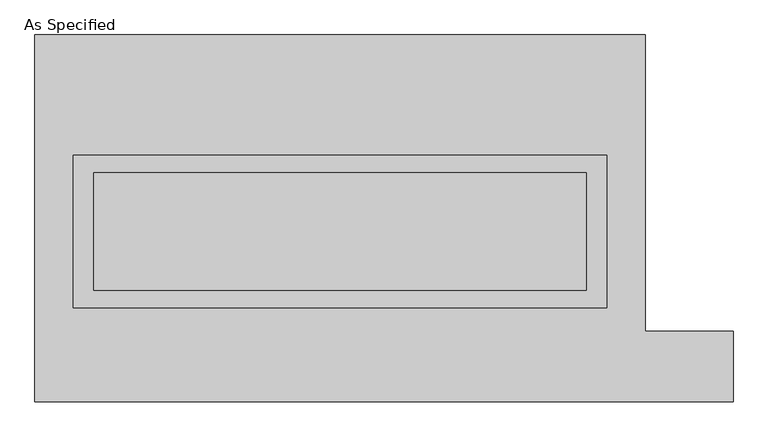
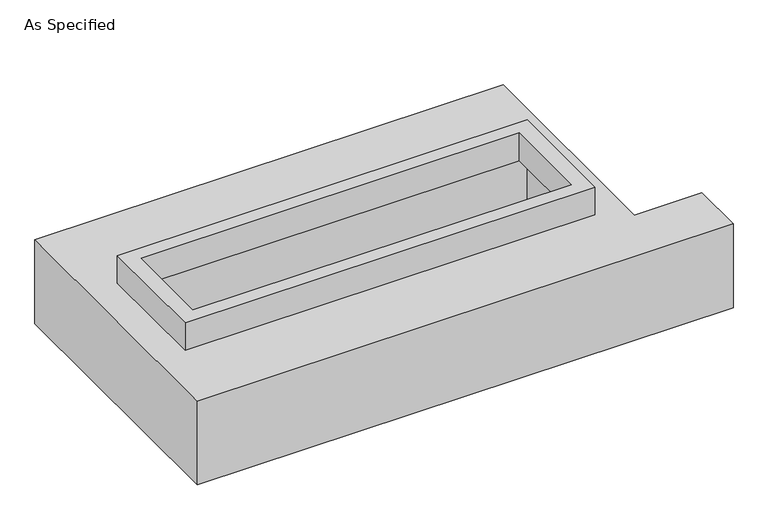
"""IFC4 building model written with IfcOpenShell, lengths in millimetres: proxy geometry, As Specified."""

import ifcopenshell
import ifcopenshell.guid

model = None  # the IFC model being written
_history = None  # IfcOwnerHistory: only IFC2X3 demands one
_inside = {}  # id of a spatial element -> (the spatial element, [elements in it])
_under = {}  # id of a project, library or spatial element -> (it, [spatial elements below it])
_declared = {}  # id of a project -> (the project, [libraries it declares])
_typed = {}  # id of a type object -> (the type object, [elements of that type])
_made_of = {}  # id of a material, layer set ... -> (it, [elements and type objects made of it])


def new_model(schema):
    """Start an empty IFC model of exactly this schema.

    Asked for "IFC4X3", IfcOpenShell would pick the latest addendum, in which some entities
    have other attributes; the version numbers below select the first issue.
    IFC2X3 requires an IfcOwnerHistory on every rooted entity: one is made here for all.
    """
    global model, _history
    if schema == "IFC4X3":
        model = ifcopenshell.file(schema_version=(4, 3, 0, 0))
    else:
        model = ifcopenshell.file(schema=schema)
    _inside.clear()
    _under.clear()
    _declared.clear()
    _typed.clear()
    _made_of.clear()
    _history = None
    if model.schema == "IFC2X3":
        org = make("IfcOrganization", Name="unknown")
        user = make(
            "IfcPersonAndOrganization",
            ThePerson=make("IfcPerson", FamilyName="unknown"),
            TheOrganization=org,
        )
        app = make(
            "IfcApplication",
            ApplicationDeveloper=org,
            Version="unknown",
            ApplicationFullName="unknown",
            ApplicationIdentifier="unknown",
        )
        _history = make(
            "IfcOwnerHistory",
            OwningUser=user,
            OwningApplication=app,
            ChangeAction="ADDED",
            CreationDate=0,
        )
    return model


def make(cls, **values):
    """One entity of the class cls with the attributes given. An attribute that is None is left unset."""
    return model.create_entity(
        cls, **{name: value for name, value in values.items() if value is not None}
    )


def rooted(cls, **values):
    """An entity with a GlobalId (a new one), such as an element, a storey or a relation."""
    return make(cls, GlobalId=ifcopenshell.guid.new(), OwnerHistory=_history, **values)


def si_unit(unit_type, name, prefix=None):
    """IfcSIUnit, for example si_unit("LENGTHUNIT", "METRE", prefix="MILLI")."""
    return make("IfcSIUnit", UnitType=unit_type, Prefix=prefix, Name=name)


def assignment(units):
    """IfcUnitAssignment: the units of a project."""
    return None if units is None else make("IfcUnitAssignment", Units=units)


def point(xyz):
    """IfcCartesianPoint."""
    return None if xyz is None else make("IfcCartesianPoint", Coordinates=xyz)


def direction(xyz):
    """IfcDirection."""
    return None if xyz is None else make("IfcDirection", DirectionRatios=xyz)


def frame(location, z_axis=None, x_axis=None):
    """IfcAxis2Placement3D, a coordinate frame: its origin and axes. An axis left out is left unset."""
    return make(
        "IfcAxis2Placement3D",
        Location=point(location),
        Axis=direction(z_axis),
        RefDirection=direction(x_axis),
    )


def origin():
    """The frame at (0, 0, 0) with its axes left unset."""
    return frame((0.0, 0.0, 0.0))


def place(relative_to, where):
    """IfcLocalPlacement: puts the frame where relative to a parent placement (None: the world)."""
    return make(
        "IfcLocalPlacement", PlacementRelTo=relative_to, RelativePlacement=where
    )


def context(
    kind, dimensions, precision=None, world=None, true_north=None, identifier=None
):
    """IfcGeometricRepresentationContext, for example the 3D "Model" context."""
    return make(
        "IfcGeometricRepresentationContext",
        ContextIdentifier=identifier,
        ContextType=kind,
        CoordinateSpaceDimension=dimensions,
        Precision=precision,
        WorldCoordinateSystem=world,
        TrueNorth=true_north,
    )


def project(units=None, contexts=None):
    """IfcProject with its units and contexts."""
    return rooted(
        "IfcProject",
        Name="project",
        RepresentationContexts=contexts,
        UnitsInContext=assignment(units),
    )


def spatial(cls, under=None, at=None, **own):
    """A site, building, storey or space (cls), placed at a placement, below another one or the project."""
    s = rooted(cls, ObjectPlacement=at, **own)
    if under is not None:
        _under.setdefault(under.id(), (under, []))[1].append(s)
    return s


def polyline(points):
    """IfcPolyline through the points."""
    return make("IfcPolyline", Points=[point(p) for p in points])


def outline(outer, holes=None, kind="AREA"):
    """IfcArbitraryClosedProfileDef: a profile drawn as a closed curve; with holes, ...WithVoids."""
    if holes is None:
        return make("IfcArbitraryClosedProfileDef", ProfileType=kind, OuterCurve=outer)
    return make(
        "IfcArbitraryProfileDefWithVoids",
        ProfileType=kind,
        OuterCurve=outer,
        InnerCurves=holes,
    )


def extrude(swept, where, along, depth):
    """IfcExtrudedAreaSolid: the profile swept, set in the frame where, extruded along a direction by depth."""
    return make(
        "IfcExtrudedAreaSolid",
        SweptArea=swept,
        Position=where,
        ExtrudedDirection=direction(along),
        Depth=depth,
    )


def faces_of(points, faces, orient=None, outer=None):
    """IfcFace entities. A face is a list of loops; a loop is a list of indices into points, from 0.

    orient and outer hold one flag for each loop. By default every Orientation is true, the
    first loop of a face is its IfcFaceOuterBound and the others are IfcFaceBound.
    """
    made = []
    for i, loops in enumerate(faces):
        bounds = []
        for j, loop in enumerate(loops):
            is_outer = j == 0 if outer is None else outer[i][j]
            bounds.append(
                make(
                    "IfcFaceOuterBound" if is_outer else "IfcFaceBound",
                    Bound=make("IfcPolyLoop", Polygon=[points[k] for k in loop]),
                    Orientation=True if orient is None else orient[i][j],
                )
            )
        made.append(make("IfcFace", Bounds=bounds))
    return made


def faceted_brep(points, faces, orient=None, outer=None, voids=None):
    """IfcFacetedBrep: a solid bounded by flat faces; with voids (closed shells), ...WithVoids."""
    shared = [point(p) for p in points]
    hull = make("IfcClosedShell", CfsFaces=faces_of(shared, faces, orient, outer))
    if voids is None:
        return make("IfcFacetedBrep", Outer=hull)
    return make(
        "IfcFacetedBrepWithVoids",
        Outer=hull,
        Voids=[
            make(cls, CfsFaces=faces_of(shared, fs, o, b)) for cls, fs, o, b in voids
        ],
    )


def shape(context_of_items, identifier, shape_type, items):
    """IfcShapeRepresentation: the items that make up one representation, for example the "Body"."""
    return make(
        "IfcShapeRepresentation",
        ContextOfItems=context_of_items,
        RepresentationIdentifier=identifier,
        RepresentationType=shape_type,
        Items=items,
    )


def source(mapping_origin, context_of_items, identifier, shape_type, items):
    """IfcRepresentationMap: a shape defined once, which mapped items show again and again."""
    return make(
        "IfcRepresentationMap",
        MappingOrigin=mapping_origin,
        MappedRepresentation=shape(context_of_items, identifier, shape_type, items),
    )


def transform(
    local_origin,
    x_axis=None,
    y_axis=None,
    z_axis=None,
    scale=None,
    scale2=None,
    scale3=None,
    uniform=True,
):
    """IfcCartesianTransformationOperator3D, or its non-uniform kind. x_axis, y_axis, z_axis: its Axis1, 2, 3."""
    if uniform:
        return make(
            "IfcCartesianTransformationOperator3D",
            Axis1=direction(x_axis),
            Axis2=direction(y_axis),
            LocalOrigin=point(local_origin),
            Scale=scale,
            Axis3=direction(z_axis),
        )
    return make(
        "IfcCartesianTransformationOperator3DnonUniform",
        Axis1=direction(x_axis),
        Axis2=direction(y_axis),
        LocalOrigin=point(local_origin),
        Scale=scale,
        Axis3=direction(z_axis),
        Scale2=scale2,
        Scale3=scale3,
    )


def mapped(mapping_source, mapping_target):
    """IfcMappedItem: shows the shape of a source again, moved by a transform."""
    return make(
        "IfcMappedItem", MappingSource=mapping_source, MappingTarget=mapping_target
    )


def made_of(thing, what):
    """Note that an element or type object is made of a material, layer set ...; save() writes the relation."""
    if what is not None:
        _made_of.setdefault(what.id(), (what, []))[1].append(thing)
    return thing


def element(
    cls,
    number,
    at=None,
    inside=None,
    cuts=None,
    type_object=None,
    material=None,
    context=None,
    identifier="Body",
    shape_type=None,
    held_by="IfcProductDefinitionShape",
    body=None,
    shapes=None,
    **own,
):
    """One element of the class cls, such as IfcWall. Its Tag is "e" and its number.

    at: its placement. inside: the storey or other place that contains it. cuts: it is an
    opening in that element (IfcRelVoidsElement). A single representation is given by context,
    identifier, shape_type and body (its items); several are given by shapes. held_by: the class
    of the entity that holds the representations. save() writes the other relations.
    """
    e = rooted(cls, Tag="e%d" % number, ObjectPlacement=at, **own)
    if body is not None:
        shapes = [shape(context, identifier, shape_type, body)]
    if shapes is not None:
        e.Representation = make(held_by, Representations=shapes)
    if inside is not None:
        _inside.setdefault(inside.id(), (inside, []))[1].append(e)
    if cuts is not None:
        rooted(
            "IfcRelVoidsElement", RelatingBuildingElement=cuts, RelatedOpeningElement=e
        )
    if type_object is not None:
        _typed.setdefault(type_object.id(), (type_object, []))[1].append(e)
    return made_of(e, material)


def aggregate(whole, parts):
    """IfcRelAggregates: a whole, such as a stair, and the parts it consists of."""
    return rooted("IfcRelAggregates", RelatingObject=whole, RelatedObjects=parts)


def save(model, path):
    """Write the relations noted so far, then the file.

    IfcRelAggregates (storeys below a building ...), IfcRelContainedInSpatialStructure (elements
    in a storey), IfcRelDefinesByType, IfcRelAssociatesMaterial and IfcRelDeclares: one each for
    every whole, place, type object, material and project.
    """
    for whole, parts in _under.values():
        aggregate(whole, parts)
    for where, things in _inside.values():
        rooted(
            "IfcRelContainedInSpatialStructure",
            RelatedElements=things,
            RelatingStructure=where,
        )
    for kind, things in _typed.values():
        rooted("IfcRelDefinesByType", RelatedObjects=things, RelatingType=kind)
    for what, things in _made_of.values():
        rooted("IfcRelAssociatesMaterial", RelatedObjects=things, RelatingMaterial=what)
    for by, libraries in _declared.values():
        rooted("IfcRelDeclares", RelatingContext=by, RelatedDefinitions=libraries)
    model.write(path)


def as_specified_c9a56e4a(model_context):
    return source(origin(), model_context, "Body", "SolidModel", [
        extrude(outline(polyline([(1155.7, 273.05), (1155.7, -387.35), (-1155.7, -387.35), (-1155.7, 273.05), (1155.7, 273.05)]), holes=[polyline([(1066.8, 196.85), (-1066.8, 196.85), (-1066.8, -311.15), (1066.8, -311.15), (1066.8, 196.85)])]), frame((0.0, 0.0, -25.4), z_axis=(0.0, 0.0, 1.0), x_axis=(1.0, 0.0, 0.0)), (0.0, 0.0, 1.0), 165.1),
        faceted_brep([(-1320.8, 793.75, -523.875), (1320.8, 793.75, -523.875), (1320.8, -488.95, -523.875), (1701.8, -488.95, -523.875), (1701.8, -793.75, -523.875), (-1320.8, -793.75, -523.875), (1320.8, 793.75, -25.4), (-1320.8, 793.75, -25.4), (-1320.8, -793.75, -25.4), (1701.8, -793.75, -25.4), (1701.8, -488.95, -25.4), (1320.8, -488.95, -25.4), (-1155.7, -387.35, -25.4), (-1155.7, 273.05, -25.4), (1155.7, 273.05, -25.4), (1155.7, -387.35, -25.4), (1155.7, 273.05, -498.475), (-1155.7, 273.05, -498.475), (-1155.7, -387.35, -498.475), (1155.7, -387.35, -498.475)], [[[0, 1, 2, 3, 4, 5]], [[6, 7, 8, 9, 10, 11], [12, 13, 14, 15]], [[1, 0, 7, 6]], [[7, 0, 5, 8]], [[1, 6, 11, 2]], [[16, 17, 18, 19]], [[18, 17, 13, 12]], [[17, 16, 14, 13]], [[16, 19, 15, 14]], [[19, 18, 12, 15]], [[5, 4, 9, 8]], [[3, 2, 11, 10]], [[4, 3, 10, 9]]]),
    ])


if __name__ == "__main__":
    model = new_model("IFC4")
    model_context = context("Model", 3, world=origin())
    ifc_project = project(units=[si_unit("LENGTHUNIT", "METRE", prefix="MILLI")], contexts=[model_context])
    site = spatial("IfcSite", under=ifc_project)
    building = spatial("IfcBuilding", under=site)
    placement = place(None, origin())
    as_specified_shape = as_specified_c9a56e4a(model_context)
    element("IfcBuildingElementProxy", 1, Name="As Specified", ObjectType="As Specified", at=placement, inside=building, context=model_context, shape_type="MappedRepresentation", body=[
        mapped(as_specified_shape, transform((0.0, 0.0, 0.0), x_axis=(1.0, 0.0, 0.0), y_axis=(0.0, 1.0, 0.0), z_axis=(0.0, 0.0, 1.0))),
    ])
    save(model, "model.ifc")
